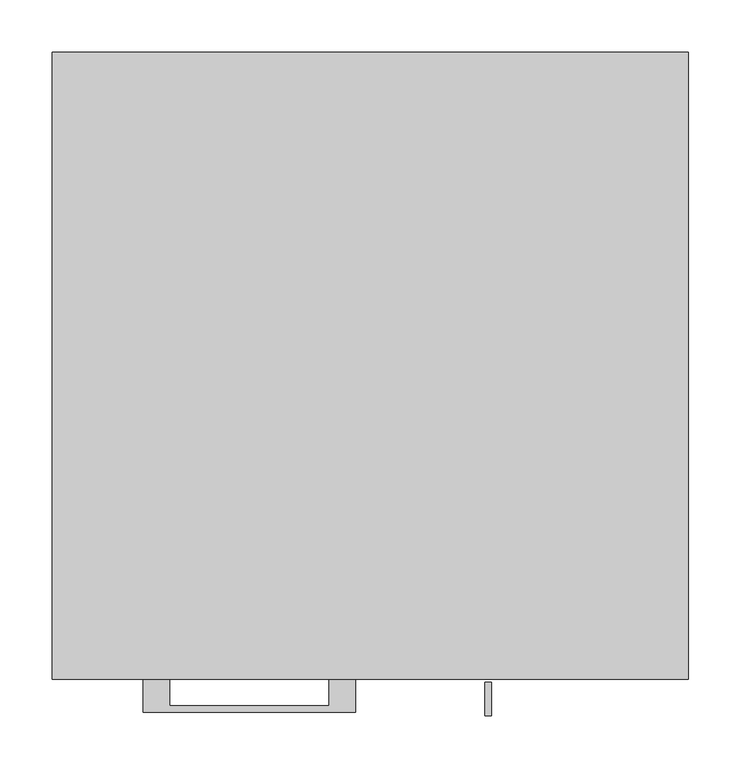
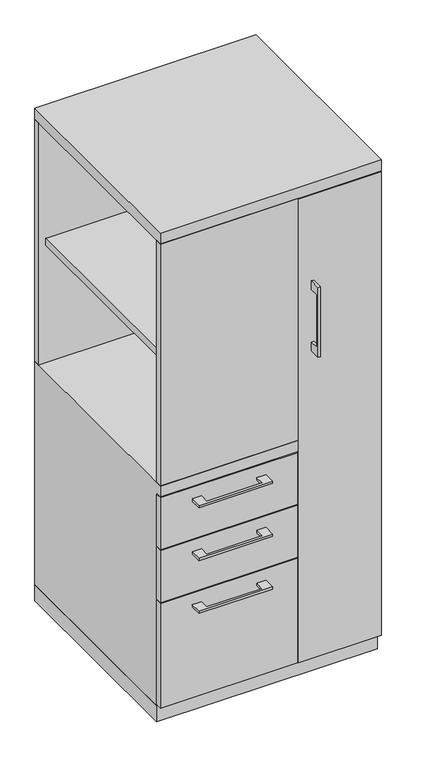
"""IFC4 building model written with IfcOpenShell, lengths in millimetres: furniture geometry."""

import ifcopenshell
import ifcopenshell.guid

model = None  # the IFC model being written
_history = None  # IfcOwnerHistory: only IFC2X3 demands one
_inside = {}  # id of a spatial element -> (the spatial element, [elements in it])
_under = {}  # id of a project, library or spatial element -> (it, [spatial elements below it])
_declared = {}  # id of a project -> (the project, [libraries it declares])
_typed = {}  # id of a type object -> (the type object, [elements of that type])
_made_of = {}  # id of a material, layer set ... -> (it, [elements and type objects made of it])


def new_model(schema):
    """Start an empty IFC model of exactly this schema.

    Asked for "IFC4X3", IfcOpenShell would pick the latest addendum, in which some entities
    have other attributes; the version numbers below select the first issue.
    IFC2X3 requires an IfcOwnerHistory on every rooted entity: one is made here for all.
    """
    global model, _history
    if schema == "IFC4X3":
        model = ifcopenshell.file(schema_version=(4, 3, 0, 0))
    else:
        model = ifcopenshell.file(schema=schema)
    _inside.clear()
    _under.clear()
    _declared.clear()
    _typed.clear()
    _made_of.clear()
    _history = None
    if model.schema == "IFC2X3":
        org = make("IfcOrganization", Name="unknown")
        user = make(
            "IfcPersonAndOrganization",
            ThePerson=make("IfcPerson", FamilyName="unknown"),
            TheOrganization=org,
        )
        app = make(
            "IfcApplication",
            ApplicationDeveloper=org,
            Version="unknown",
            ApplicationFullName="unknown",
            ApplicationIdentifier="unknown",
        )
        _history = make(
            "IfcOwnerHistory",
            OwningUser=user,
            OwningApplication=app,
            ChangeAction="ADDED",
            CreationDate=0,
        )
    return model


def make(cls, **values):
    """One entity of the class cls with the attributes given. An attribute that is None is left unset."""
    return model.create_entity(
        cls, **{name: value for name, value in values.items() if value is not None}
    )


def rooted(cls, **values):
    """An entity with a GlobalId (a new one), such as an element, a storey or a relation."""
    return make(cls, GlobalId=ifcopenshell.guid.new(), OwnerHistory=_history, **values)


def si_unit(unit_type, name, prefix=None):
    """IfcSIUnit, for example si_unit("LENGTHUNIT", "METRE", prefix="MILLI")."""
    return make("IfcSIUnit", UnitType=unit_type, Prefix=prefix, Name=name)


def assignment(units):
    """IfcUnitAssignment: the units of a project."""
    return None if units is None else make("IfcUnitAssignment", Units=units)


def point(xyz):
    """IfcCartesianPoint."""
    return None if xyz is None else make("IfcCartesianPoint", Coordinates=xyz)


def direction(xyz):
    """IfcDirection."""
    return None if xyz is None else make("IfcDirection", DirectionRatios=xyz)


def frame(location, z_axis=None, x_axis=None):
    """IfcAxis2Placement3D, a coordinate frame: its origin and axes. An axis left out is left unset."""
    return make(
        "IfcAxis2Placement3D",
        Location=point(location),
        Axis=direction(z_axis),
        RefDirection=direction(x_axis),
    )


def origin():
    """The frame at (0, 0, 0) with its axes left unset."""
    return frame((0.0, 0.0, 0.0))


def origin_with_axes():
    """The frame at (0, 0, 0) with the z axis (0, 0, 1) and the x axis (1, 0, 0) written out."""
    return frame((0.0, 0.0, 0.0), z_axis=(0.0, 0.0, 1.0), x_axis=(1.0, 0.0, 0.0))


def place(relative_to, where):
    """IfcLocalPlacement: puts the frame where relative to a parent placement (None: the world)."""
    return make(
        "IfcLocalPlacement", PlacementRelTo=relative_to, RelativePlacement=where
    )


def context(
    kind, dimensions, precision=None, world=None, true_north=None, identifier=None
):
    """IfcGeometricRepresentationContext, for example the 3D "Model" context."""
    return make(
        "IfcGeometricRepresentationContext",
        ContextIdentifier=identifier,
        ContextType=kind,
        CoordinateSpaceDimension=dimensions,
        Precision=precision,
        WorldCoordinateSystem=world,
        TrueNorth=true_north,
    )


def project(units=None, contexts=None):
    """IfcProject with its units and contexts."""
    return rooted(
        "IfcProject",
        Name="project",
        RepresentationContexts=contexts,
        UnitsInContext=assignment(units),
    )


def spatial(cls, under=None, at=None, **own):
    """A site, building, storey or space (cls), placed at a placement, below another one or the project."""
    s = rooted(cls, ObjectPlacement=at, **own)
    if under is not None:
        _under.setdefault(under.id(), (under, []))[1].append(s)
    return s


def polyline(points):
    """IfcPolyline through the points."""
    return make("IfcPolyline", Points=[point(p) for p in points])


def outline(outer, holes=None, kind="AREA"):
    """IfcArbitraryClosedProfileDef: a profile drawn as a closed curve; with holes, ...WithVoids."""
    if holes is None:
        return make("IfcArbitraryClosedProfileDef", ProfileType=kind, OuterCurve=outer)
    return make(
        "IfcArbitraryProfileDefWithVoids",
        ProfileType=kind,
        OuterCurve=outer,
        InnerCurves=holes,
    )


def extrude(swept, where, along, depth):
    """IfcExtrudedAreaSolid: the profile swept, set in the frame where, extruded along a direction by depth."""
    return make(
        "IfcExtrudedAreaSolid",
        SweptArea=swept,
        Position=where,
        ExtrudedDirection=direction(along),
        Depth=depth,
    )


def faces_of(points, faces, orient=None, outer=None):
    """IfcFace entities. A face is a list of loops; a loop is a list of indices into points, from 0.

    orient and outer hold one flag for each loop. By default every Orientation is true, the
    first loop of a face is its IfcFaceOuterBound and the others are IfcFaceBound.
    """
    made = []
    for i, loops in enumerate(faces):
        bounds = []
        for j, loop in enumerate(loops):
            is_outer = j == 0 if outer is None else outer[i][j]
            bounds.append(
                make(
                    "IfcFaceOuterBound" if is_outer else "IfcFaceBound",
                    Bound=make("IfcPolyLoop", Polygon=[points[k] for k in loop]),
                    Orientation=True if orient is None else orient[i][j],
                )
            )
        made.append(make("IfcFace", Bounds=bounds))
    return made


def faceted_brep(points, faces, orient=None, outer=None, voids=None):
    """IfcFacetedBrep: a solid bounded by flat faces; with voids (closed shells), ...WithVoids."""
    shared = [point(p) for p in points]
    hull = make("IfcClosedShell", CfsFaces=faces_of(shared, faces, orient, outer))
    if voids is None:
        return make("IfcFacetedBrep", Outer=hull)
    return make(
        "IfcFacetedBrepWithVoids",
        Outer=hull,
        Voids=[
            make(cls, CfsFaces=faces_of(shared, fs, o, b)) for cls, fs, o, b in voids
        ],
    )


def shape(context_of_items, identifier, shape_type, items):
    """IfcShapeRepresentation: the items that make up one representation, for example the "Body"."""
    return make(
        "IfcShapeRepresentation",
        ContextOfItems=context_of_items,
        RepresentationIdentifier=identifier,
        RepresentationType=shape_type,
        Items=items,
    )


def source(mapping_origin, context_of_items, identifier, shape_type, items):
    """IfcRepresentationMap: a shape defined once, which mapped items show again and again."""
    return make(
        "IfcRepresentationMap",
        MappingOrigin=mapping_origin,
        MappedRepresentation=shape(context_of_items, identifier, shape_type, items),
    )


def transform(
    local_origin,
    x_axis=None,
    y_axis=None,
    z_axis=None,
    scale=None,
    scale2=None,
    scale3=None,
    uniform=True,
):
    """IfcCartesianTransformationOperator3D, or its non-uniform kind. x_axis, y_axis, z_axis: its Axis1, 2, 3."""
    if uniform:
        return make(
            "IfcCartesianTransformationOperator3D",
            Axis1=direction(x_axis),
            Axis2=direction(y_axis),
            LocalOrigin=point(local_origin),
            Scale=scale,
            Axis3=direction(z_axis),
        )
    return make(
        "IfcCartesianTransformationOperator3DnonUniform",
        Axis1=direction(x_axis),
        Axis2=direction(y_axis),
        LocalOrigin=point(local_origin),
        Scale=scale,
        Axis3=direction(z_axis),
        Scale2=scale2,
        Scale3=scale3,
    )


def mapped(mapping_source, mapping_target):
    """IfcMappedItem: shows the shape of a source again, moved by a transform."""
    return make(
        "IfcMappedItem", MappingSource=mapping_source, MappingTarget=mapping_target
    )


def made_of(thing, what):
    """Note that an element or type object is made of a material, layer set ...; save() writes the relation."""
    if what is not None:
        _made_of.setdefault(what.id(), (what, []))[1].append(thing)
    return thing


def element(
    cls,
    number,
    at=None,
    inside=None,
    cuts=None,
    type_object=None,
    material=None,
    context=None,
    identifier="Body",
    shape_type=None,
    held_by="IfcProductDefinitionShape",
    body=None,
    shapes=None,
    **own,
):
    """One element of the class cls, such as IfcWall. Its Tag is "e" and its number.

    at: its placement. inside: the storey or other place that contains it. cuts: it is an
    opening in that element (IfcRelVoidsElement). A single representation is given by context,
    identifier, shape_type and body (its items); several are given by shapes. held_by: the class
    of the entity that holds the representations. save() writes the other relations.
    """
    e = rooted(cls, Tag="e%d" % number, ObjectPlacement=at, **own)
    if body is not None:
        shapes = [shape(context, identifier, shape_type, body)]
    if shapes is not None:
        e.Representation = make(held_by, Representations=shapes)
    if inside is not None:
        _inside.setdefault(inside.id(), (inside, []))[1].append(e)
    if cuts is not None:
        rooted(
            "IfcRelVoidsElement", RelatingBuildingElement=cuts, RelatedOpeningElement=e
        )
    if type_object is not None:
        _typed.setdefault(type_object.id(), (type_object, []))[1].append(e)
    return made_of(e, material)


def aggregate(whole, parts):
    """IfcRelAggregates: a whole, such as a stair, and the parts it consists of."""
    return rooted("IfcRelAggregates", RelatingObject=whole, RelatedObjects=parts)


def save(model, path):
    """Write the relations noted so far, then the file.

    IfcRelAggregates (storeys below a building ...), IfcRelContainedInSpatialStructure (elements
    in a storey), IfcRelDefinesByType, IfcRelAssociatesMaterial and IfcRelDeclares: one each for
    every whole, place, type object, material and project.
    """
    for whole, parts in _under.values():
        aggregate(whole, parts)
    for where, things in _inside.values():
        rooted(
            "IfcRelContainedInSpatialStructure",
            RelatedElements=things,
            RelatingStructure=where,
        )
    for kind, things in _typed.values():
        rooted("IfcRelDefinesByType", RelatedObjects=things, RelatingType=kind)
    for what, things in _made_of.values():
        rooted("IfcRelAssociatesMaterial", RelatedObjects=things, RelatingMaterial=what)
    for by, libraries in _declared.values():
        rooted("IfcRelDeclares", RelatingContext=by, RelatedDefinitions=libraries)
    model.write(path)


def furniture_1054ca65(model_context):
    return source(origin(), model_context, "Body", "SolidModel", [
        extrude(outline(polyline([(57.15, -581.025), (-285.75, -581.025), (-285.75, -19.05), (57.15, -19.05), (57.15, -581.025)])), frame((0.0, 0.0, 1041.4), z_axis=(0.0, 0.0, 1.0), x_axis=(1.0, 0.0, 0.0)), (0.0, 0.0, 1.0), 19.05),
        extrude(outline(polyline([(-192.0874818, -600.075), (-192.0874818, -625.4749758), (-39.6875, -625.4749758), (-39.6875, -600.075), (-14.2875061, -600.075), (-14.2875061, -631.8249879), (-217.4874939, -631.8249879), (-217.4874939, -600.075), (-192.0874818, -600.075)])), frame((0.0, 0.0, 623.8875506), z_axis=(0.0, 0.0, 1.0), x_axis=(1.0, 0.0, 0.0)), (0.0, 0.0, 1.0), 6.3499758),
        extrude(outline(polyline([(73.025, -581.025), (73.025, -600.075), (-304.8, -600.075), (-304.8, -581.025), (73.025, -581.025)])), frame((0.0, 0.0, 512.7625), z_axis=(0.0, 0.0, 1.0), x_axis=(1.0, 0.0, 0.0)), (0.0, 0.0, 1.0), 150.8125),
        extrude(outline(polyline([(-192.0874818, -600.075), (-192.0874818, -625.4749758), (-39.6875, -625.4749758), (-39.6875, -600.075), (-14.2875061, -600.075), (-14.2875061, -631.8249879), (-217.4874939, -631.8249879), (-217.4874939, -600.075), (-192.0874818, -600.075)])), frame((0.0, 0.0, 469.9000506), z_axis=(0.0, 0.0, 1.0), x_axis=(1.0, 0.0, 0.0)), (0.0, 0.0, 1.0), 6.3499758),
        extrude(outline(polyline([(73.025, -581.025), (73.025, -600.075), (-304.8, -600.075), (-304.8, -581.025), (73.025, -581.025)])), frame((0.0, 0.0, 358.775), z_axis=(0.0, 0.0, 1.0), x_axis=(1.0, 0.0, 0.0)), (0.0, 0.0, 1.0), 150.8125),
        extrude(outline(polyline([(-603.25, 1127.125), (-628.6499758, 1127.125), (-628.6499758, 974.725), (-603.25, 974.725), (-603.25, 949.325), (-634.9999879, 949.325), (-634.9999879, 1152.525), (-603.25, 1152.525), (-603.25, 1127.125)])), frame((109.5375121, 0.0, 0.0), z_axis=(1.0, 0.0, 0.0), x_axis=(0.0, 1.0, 0.0)), (0.0, 0.0, 1.0), 6.3499758),
        extrude(outline(polyline([(304.8, -600.075), (76.2, -600.075), (76.2, -581.025), (304.8, -581.025), (304.8, -600.075)])), frame((0.0, 0.0, 50.8), z_axis=(0.0, 0.0, 1.0), x_axis=(1.0, 0.0, 0.0)), (0.0, 0.0, 1.0), 1349.375),
        extrude(outline(polyline([(-192.0874818, -600.075), (-192.0874818, -625.4749758), (-39.6875, -625.4749758), (-39.6875, -600.075), (-14.2875061, -600.075), (-14.2875061, -631.8249879), (-217.4874939, -631.8249879), (-217.4874939, -600.075), (-192.0874818, -600.075)])), frame((0.0, 0.0, 315.9125506), z_axis=(0.0, 0.0, 1.0), x_axis=(1.0, 0.0, 0.0)), (0.0, 0.0, 1.0), 6.3499758),
        extrude(outline(polyline([(73.025, -581.025), (73.025, -600.075), (-304.8, -600.075), (-304.8, -581.025), (73.025, -581.025)])), frame((0.0, 0.0, 50.8), z_axis=(0.0, 0.0, 1.0), x_axis=(1.0, 0.0, 0.0)), (0.0, 0.0, 1.0), 304.8),
        faceted_brep([(-304.8, -581.025, 47.625), (-304.8, 0.0, 47.625), (76.2, 0.0, 47.625), (76.2, -581.025, 47.625), (-304.8, 0.0, 698.5), (76.2, 0.0, 698.5), (-304.8, -581.025, 666.75), (-304.8, -600.075, 666.75), (-304.8, -600.075, 698.5), (76.2, -581.025, 666.75), (57.15, -581.025, 666.75), (76.2, -581.025, 1403.35), (57.15, -581.025, 1403.35), (57.15, -581.025, 698.5), (76.2, -581.025, 698.5), (76.2, -19.05, 698.5), (76.2, -19.05, 1403.35), (76.2, -600.075, 698.5), (76.2, -600.075, 666.75), (57.15, -19.05, 1403.35), (57.15, -19.05, 698.5)], [[[0, 1, 2, 3]], [[2, 1, 4, 5]], [[4, 1, 0, 6, 7, 8]], [[6, 0, 3, 9, 10]], [[11, 12, 13, 14]], [[2, 5, 15, 16, 11, 14, 17, 18, 9, 3]], [[16, 19, 12, 11]], [[19, 16, 15, 20]], [[12, 19, 20, 13]], [[5, 4, 8, 17, 14, 13, 20, 15]], [[18, 7, 6, 10, 9]], [[17, 8, 7, 18]]]),
        extrude(outline(polyline([(76.2, 0.0), (76.2, -19.05), (-304.8, -19.05), (-304.8, 0.0), (76.2, 0.0)])), frame((0.0, 0.0, 698.5), z_axis=(0.0, 0.0, 1.0), x_axis=(1.0, 0.0, 0.0)), (0.0, 0.0, 1.0), 704.85),
        extrude(outline(polyline([(76.2, -600.075), (-304.8, -600.075), (-304.8, -581.025), (76.2, -581.025), (76.2, -600.075)])), frame((0.0, 0.0, 698.5), z_axis=(0.0, 0.0, 1.0), x_axis=(1.0, 0.0, 0.0)), (0.0, 0.0, 1.0), 704.85),
        extrude(outline(polyline([(304.8, 0.0), (304.8, -581.025), (285.75, -581.025), (285.75, -19.05), (76.2, -19.05), (76.2, 0.0), (304.8, 0.0)])), frame((0.0, 0.0, 47.625), z_axis=(0.0, 0.0, 1.0), x_axis=(1.0, 0.0, 0.0)), (0.0, 0.0, 1.0), 1355.725),
        extrude(outline(polyline([(304.8, 0.0), (304.8, -600.075), (-304.8, -600.075), (-304.8, 0.0), (304.8, 0.0)])), frame((0.0, 0.0, 1403.35), z_axis=(0.0, 0.0, 1.0), x_axis=(1.0, 0.0, 0.0)), (0.0, 0.0, 1.0), 31.75),
        extrude(outline(polyline([(304.8, 0.0), (304.8, -581.025), (-304.8, -581.025), (-304.8, 0.0), (304.8, 0.0)])), origin_with_axes(), (0.0, 0.0, 1.0), 47.625),
    ])


if __name__ == "__main__":
    model = new_model("IFC4")
    model_context = context("Model", 3, world=origin())
    ifc_project = project(units=[si_unit("LENGTHUNIT", "METRE", prefix="MILLI")], contexts=[model_context])
    site = spatial("IfcSite", under=ifc_project)
    building = spatial("IfcBuilding", under=site)
    placement = place(None, origin())
    furniture_shape = furniture_1054ca65(model_context)
    element("IfcFurniture", 1, at=placement, inside=building, context=model_context, shape_type="MappedRepresentation", body=[
        mapped(furniture_shape, transform((0.0, 0.0, 0.0), x_axis=(1.0, 0.0, 0.0), y_axis=(0.0, 1.0, 0.0), z_axis=(0.0, 0.0, 1.0))),
    ])
    save(model, "model.ifc")
